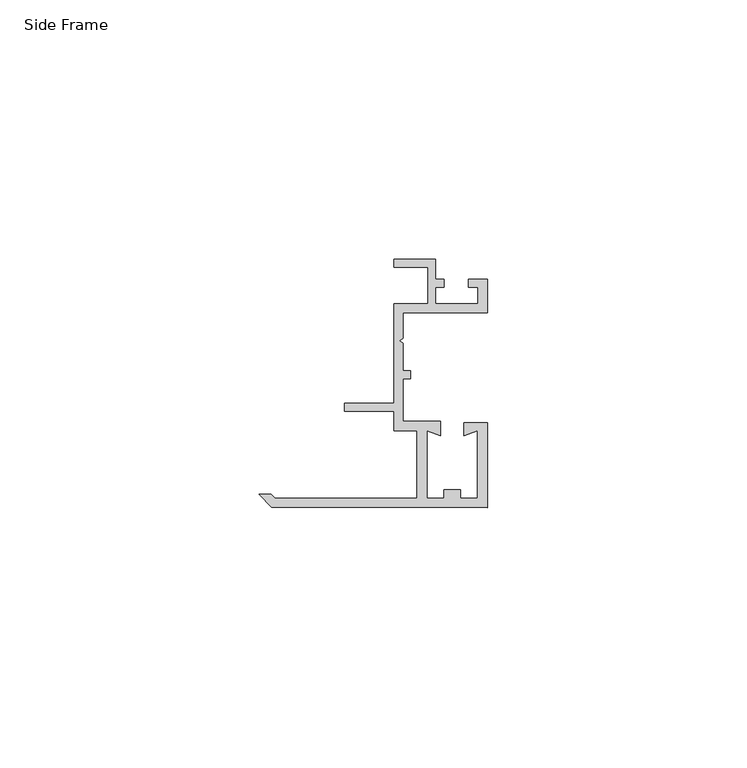
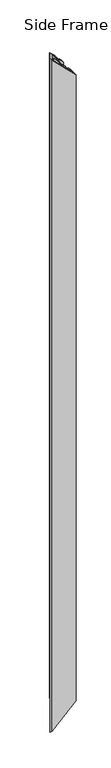
"""IFC4 building model written with IfcOpenShell, lengths in millimetres: proxy geometry, Side Frame."""

import ifcopenshell
import ifcopenshell.guid

model = None  # the IFC model being written
_history = None  # IfcOwnerHistory: only IFC2X3 demands one
_inside = {}  # id of a spatial element -> (the spatial element, [elements in it])
_under = {}  # id of a project, library or spatial element -> (it, [spatial elements below it])
_declared = {}  # id of a project -> (the project, [libraries it declares])
_typed = {}  # id of a type object -> (the type object, [elements of that type])
_made_of = {}  # id of a material, layer set ... -> (it, [elements and type objects made of it])


def new_model(schema):
    """Start an empty IFC model of exactly this schema.

    Asked for "IFC4X3", IfcOpenShell would pick the latest addendum, in which some entities
    have other attributes; the version numbers below select the first issue.
    IFC2X3 requires an IfcOwnerHistory on every rooted entity: one is made here for all.
    """
    global model, _history
    if schema == "IFC4X3":
        model = ifcopenshell.file(schema_version=(4, 3, 0, 0))
    else:
        model = ifcopenshell.file(schema=schema)
    _inside.clear()
    _under.clear()
    _declared.clear()
    _typed.clear()
    _made_of.clear()
    _history = None
    if model.schema == "IFC2X3":
        org = make("IfcOrganization", Name="unknown")
        user = make(
            "IfcPersonAndOrganization",
            ThePerson=make("IfcPerson", FamilyName="unknown"),
            TheOrganization=org,
        )
        app = make(
            "IfcApplication",
            ApplicationDeveloper=org,
            Version="unknown",
            ApplicationFullName="unknown",
            ApplicationIdentifier="unknown",
        )
        _history = make(
            "IfcOwnerHistory",
            OwningUser=user,
            OwningApplication=app,
            ChangeAction="ADDED",
            CreationDate=0,
        )
    return model


def make(cls, **values):
    """One entity of the class cls with the attributes given. An attribute that is None is left unset."""
    return model.create_entity(
        cls, **{name: value for name, value in values.items() if value is not None}
    )


def rooted(cls, **values):
    """An entity with a GlobalId (a new one), such as an element, a storey or a relation."""
    return make(cls, GlobalId=ifcopenshell.guid.new(), OwnerHistory=_history, **values)


def si_unit(unit_type, name, prefix=None):
    """IfcSIUnit, for example si_unit("LENGTHUNIT", "METRE", prefix="MILLI")."""
    return make("IfcSIUnit", UnitType=unit_type, Prefix=prefix, Name=name)


def assignment(units):
    """IfcUnitAssignment: the units of a project."""
    return None if units is None else make("IfcUnitAssignment", Units=units)


def point(xyz):
    """IfcCartesianPoint."""
    return None if xyz is None else make("IfcCartesianPoint", Coordinates=xyz)


def direction(xyz):
    """IfcDirection."""
    return None if xyz is None else make("IfcDirection", DirectionRatios=xyz)


def frame(location, z_axis=None, x_axis=None):
    """IfcAxis2Placement3D, a coordinate frame: its origin and axes. An axis left out is left unset."""
    return make(
        "IfcAxis2Placement3D",
        Location=point(location),
        Axis=direction(z_axis),
        RefDirection=direction(x_axis),
    )


def origin():
    """The frame at (0, 0, 0) with its axes left unset."""
    return frame((0.0, 0.0, 0.0))


def place(relative_to, where):
    """IfcLocalPlacement: puts the frame where relative to a parent placement (None: the world)."""
    return make(
        "IfcLocalPlacement", PlacementRelTo=relative_to, RelativePlacement=where
    )


def context(
    kind, dimensions, precision=None, world=None, true_north=None, identifier=None
):
    """IfcGeometricRepresentationContext, for example the 3D "Model" context."""
    return make(
        "IfcGeometricRepresentationContext",
        ContextIdentifier=identifier,
        ContextType=kind,
        CoordinateSpaceDimension=dimensions,
        Precision=precision,
        WorldCoordinateSystem=world,
        TrueNorth=true_north,
    )


def project(units=None, contexts=None):
    """IfcProject with its units and contexts."""
    return rooted(
        "IfcProject",
        Name="project",
        RepresentationContexts=contexts,
        UnitsInContext=assignment(units),
    )


def spatial(cls, under=None, at=None, **own):
    """A site, building, storey or space (cls), placed at a placement, below another one or the project."""
    s = rooted(cls, ObjectPlacement=at, **own)
    if under is not None:
        _under.setdefault(under.id(), (under, []))[1].append(s)
    return s


def faces_of(points, faces, orient=None, outer=None):
    """IfcFace entities. A face is a list of loops; a loop is a list of indices into points, from 0.

    orient and outer hold one flag for each loop. By default every Orientation is true, the
    first loop of a face is its IfcFaceOuterBound and the others are IfcFaceBound.
    """
    made = []
    for i, loops in enumerate(faces):
        bounds = []
        for j, loop in enumerate(loops):
            is_outer = j == 0 if outer is None else outer[i][j]
            bounds.append(
                make(
                    "IfcFaceOuterBound" if is_outer else "IfcFaceBound",
                    Bound=make("IfcPolyLoop", Polygon=[points[k] for k in loop]),
                    Orientation=True if orient is None else orient[i][j],
                )
            )
        made.append(make("IfcFace", Bounds=bounds))
    return made


def faceted_brep(points, faces, orient=None, outer=None, voids=None):
    """IfcFacetedBrep: a solid bounded by flat faces; with voids (closed shells), ...WithVoids."""
    shared = [point(p) for p in points]
    hull = make("IfcClosedShell", CfsFaces=faces_of(shared, faces, orient, outer))
    if voids is None:
        return make("IfcFacetedBrep", Outer=hull)
    return make(
        "IfcFacetedBrepWithVoids",
        Outer=hull,
        Voids=[
            make(cls, CfsFaces=faces_of(shared, fs, o, b)) for cls, fs, o, b in voids
        ],
    )


def shape(context_of_items, identifier, shape_type, items):
    """IfcShapeRepresentation: the items that make up one representation, for example the "Body"."""
    return make(
        "IfcShapeRepresentation",
        ContextOfItems=context_of_items,
        RepresentationIdentifier=identifier,
        RepresentationType=shape_type,
        Items=items,
    )


def source(mapping_origin, context_of_items, identifier, shape_type, items):
    """IfcRepresentationMap: a shape defined once, which mapped items show again and again."""
    return make(
        "IfcRepresentationMap",
        MappingOrigin=mapping_origin,
        MappedRepresentation=shape(context_of_items, identifier, shape_type, items),
    )


def transform(
    local_origin,
    x_axis=None,
    y_axis=None,
    z_axis=None,
    scale=None,
    scale2=None,
    scale3=None,
    uniform=True,
):
    """IfcCartesianTransformationOperator3D, or its non-uniform kind. x_axis, y_axis, z_axis: its Axis1, 2, 3."""
    if uniform:
        return make(
            "IfcCartesianTransformationOperator3D",
            Axis1=direction(x_axis),
            Axis2=direction(y_axis),
            LocalOrigin=point(local_origin),
            Scale=scale,
            Axis3=direction(z_axis),
        )
    return make(
        "IfcCartesianTransformationOperator3DnonUniform",
        Axis1=direction(x_axis),
        Axis2=direction(y_axis),
        LocalOrigin=point(local_origin),
        Scale=scale,
        Axis3=direction(z_axis),
        Scale2=scale2,
        Scale3=scale3,
    )


def mapped(mapping_source, mapping_target):
    """IfcMappedItem: shows the shape of a source again, moved by a transform."""
    return make(
        "IfcMappedItem", MappingSource=mapping_source, MappingTarget=mapping_target
    )


def made_of(thing, what):
    """Note that an element or type object is made of a material, layer set ...; save() writes the relation."""
    if what is not None:
        _made_of.setdefault(what.id(), (what, []))[1].append(thing)
    return thing


def element(
    cls,
    number,
    at=None,
    inside=None,
    cuts=None,
    type_object=None,
    material=None,
    context=None,
    identifier="Body",
    shape_type=None,
    held_by="IfcProductDefinitionShape",
    body=None,
    shapes=None,
    **own,
):
    """One element of the class cls, such as IfcWall. Its Tag is "e" and its number.

    at: its placement. inside: the storey or other place that contains it. cuts: it is an
    opening in that element (IfcRelVoidsElement). A single representation is given by context,
    identifier, shape_type and body (its items); several are given by shapes. held_by: the class
    of the entity that holds the representations. save() writes the other relations.
    """
    e = rooted(cls, Tag="e%d" % number, ObjectPlacement=at, **own)
    if body is not None:
        shapes = [shape(context, identifier, shape_type, body)]
    if shapes is not None:
        e.Representation = make(held_by, Representations=shapes)
    if inside is not None:
        _inside.setdefault(inside.id(), (inside, []))[1].append(e)
    if cuts is not None:
        rooted(
            "IfcRelVoidsElement", RelatingBuildingElement=cuts, RelatedOpeningElement=e
        )
    if type_object is not None:
        _typed.setdefault(type_object.id(), (type_object, []))[1].append(e)
    return made_of(e, material)


def aggregate(whole, parts):
    """IfcRelAggregates: a whole, such as a stair, and the parts it consists of."""
    return rooted("IfcRelAggregates", RelatingObject=whole, RelatedObjects=parts)


def save(model, path):
    """Write the relations noted so far, then the file.

    IfcRelAggregates (storeys below a building ...), IfcRelContainedInSpatialStructure (elements
    in a storey), IfcRelDefinesByType, IfcRelAssociatesMaterial and IfcRelDeclares: one each for
    every whole, place, type object, material and project.
    """
    for whole, parts in _under.values():
        aggregate(whole, parts)
    for where, things in _inside.values():
        rooted(
            "IfcRelContainedInSpatialStructure",
            RelatedElements=things,
            RelatingStructure=where,
        )
    for kind, things in _typed.values():
        rooted("IfcRelDefinesByType", RelatedObjects=things, RelatingType=kind)
    for what, things in _made_of.values():
        rooted("IfcRelAssociatesMaterial", RelatedObjects=things, RelatingMaterial=what)
    for by, libraries in _declared.values():
        rooted("IfcRelDeclares", RelatingContext=by, RelatedDefinitions=libraries)
    model.write(path)


def side_frame_5a5cdea6(model_context):
    return source(origin(), model_context, "Body", "Brep", [
        faceted_brep([(7.3396974, -27.4419219, 1200.5794341), (7.3396974, -14.4120535, 1200.5794341), (7.3396974, -14.4120535, 30.4014341), (7.3396974, -27.4419219, 30.4014341), (2.9200974, -14.4120535, 1204.9990341), (2.9200974, -14.4120535, 25.9818341), (2.9200974, -10.6937789, 1204.9990341), (2.9200974, -10.6937789, 25.9818341), (-6.6237015, -10.6937789, 1214.542833), (-6.6237015, -10.6937789, 16.4380352), (-6.6237015, -9.1729719, 1214.542833), (2.9200974, -9.1729719, 1204.9990341), (2.9200974, -9.1729719, 25.9818341), (-6.6237015, -9.1729719, 16.4380352), (2.9200974, 10.0865781, 1204.9990341), (2.9200974, 10.0865781, 25.9818341), (9.4478974, 10.0865781, 1198.4712341), (9.4478974, 10.0865781, 32.5096341), (9.4478974, 17.0715781, 1198.4712341), (9.4478974, 17.0715781, 32.5096341), (2.9200974, 17.0715781, 1204.9990341), (2.9200974, 17.0715781, 25.9818341), (2.9200974, 18.5955781, 1204.9990341), (10.9718974, 18.5955781, 1196.9472341), (10.9718974, 18.5955781, 34.0336341), (2.9200974, 18.5955781, 25.9818341), (10.9718974, 14.7855781, 1196.9472341), (10.9718974, 14.7855781, 34.0336341), (10.9718974, 13.2360592, 1196.9472341), (10.9718974, 10.0865781, 1196.9472341), (10.9718974, 10.0865781, 34.0336341), (10.9718974, 13.2360592, 34.0336341), (19.1506974, 10.0865781, 1188.7684341), (19.1506974, 10.0865781, 42.2124341), (19.1506974, 13.2360592, 1188.7684341), (19.1506974, 13.2360592, 42.2124341), (17.2954875, 14.7855781, 1190.6236441), (20.9286974, 14.7855781, 1186.9904341), (20.9286974, 14.7855781, 43.9904341), (17.2954875, 14.7855781, 40.3572241), (20.9286974, 8.3085781, 1186.9904341), (20.9286974, 8.3085781, 43.9904341), (4.6980974, 8.3085781, 1203.2210341), (4.6980974, 8.3085781, 27.7598341), (4.6980974, 3.4079308, 1203.2210341), (4.6980974, 3.4079308, 27.7598341), (4.6980974, 2.4501363, 1203.2210341), (4.6980974, -2.8364353, 1203.2210341), (4.6980974, -2.8364353, 27.7598341), (4.6980974, 2.4501363, 27.7598341), (4.6980974, -4.3781816, 1203.2210341), (4.6980974, -12.6340535, 1203.2210341), (4.6980974, -12.6340535, 27.7598341), (4.6980974, -4.3781816, 27.7598341), (11.8481974, -12.6340535, 1196.0709341), (11.8481974, -12.6340535, 34.9099341), (11.8481974, -15.3436414, 1196.0709341), (11.8481974, -15.3436414, 34.9099341), (9.2667749, -14.4040804, 1198.6523567), (9.2667749, -14.4040804, 32.3285115), (9.2667749, -27.4419219, 1198.6523567), (12.5300499, -27.4419219, 1195.3890816), (12.5300499, -27.4419219, 35.5917866), (9.2667749, -27.4419219, 32.3285115), (15.7392724, -27.4419219, 1192.1798591), (18.9797143, -27.4419219, 1188.9394173), (18.9797143, -27.4419219, 42.0414509), (15.7392724, -27.4419219, 38.8010091), (18.9797143, -14.4120535, 1188.9394173), (16.4201974, -15.3436414, 1191.4989341), (16.4201974, -15.3436414, 39.4819341), (18.9797143, -14.4120535, 42.0414509), (16.4201974, -12.8880535, 1191.4989341), (16.4201974, -12.8880535, 39.4819341), (20.9286974, -12.8880535, 1186.9904341), (20.9286974, -12.8880535, 43.9904341), (20.9286974, -29.2199219, 1186.9904341), (20.9286974, -29.2199219, 43.9904341), (-20.7055128, -29.2199219, 1228.6246443), (-20.7055128, -29.2199219, 2.3562239), (-23.0617367, -26.6481719, 0.0), (-23.0617367, -26.6481719, 1230.9808682), (-20.7627911, -26.6481719, 1228.6819226), (-20.7627911, -26.6481719, 2.2989456), (-19.9690411, -27.4419219, 1227.8881726), (-19.9690411, -27.4419219, 3.0926956), (12.5942544, 14.7855781, 1195.3248771), (12.5942544, 14.7855781, 35.6559911), (12.5942544, 13.2360592, 1195.3248771), (12.5942544, 13.2360592, 35.6559911), (17.2954875, 13.2360592, 1190.6236441), (17.2954875, 13.2360592, 40.3572241), (4.0141613, 2.9290335, 1203.9049703), (4.0141613, 2.9290335, 27.0758979), (6.0924236, -2.8364353, 1201.826708), (6.0924236, -2.8364353, 29.1541602), (6.0924236, -4.3781816, 1201.826708), (6.0924236, -4.3781816, 29.1541602), (12.5300499, -25.799808, 1195.3890816), (12.5300499, -25.799808, 35.5917866), (15.7392724, -25.799808, 1192.1798591), (15.7392724, -25.799808, 38.8010091)], [[[0, 1, 2, 3]], [[1, 4, 5, 2]], [[4, 6, 7, 5]], [[6, 8, 9, 7]], [[10, 11, 12, 13]], [[11, 14, 15, 12]], [[14, 16, 17, 15]], [[16, 18, 19, 17]], [[18, 20, 21, 19]], [[22, 23, 24, 25]], [[23, 26, 27, 24]], [[28, 29, 30, 31]], [[29, 32, 33, 30]], [[32, 34, 35, 33]], [[36, 37, 38, 39]], [[37, 40, 41, 38]], [[40, 42, 43, 41]], [[42, 44, 45, 43]], [[46, 47, 48, 49]], [[50, 51, 52, 53]], [[51, 54, 55, 52]], [[54, 56, 57, 55]], [[56, 58, 59, 57]], [[60, 61, 62, 63]], [[64, 65, 66, 67]], [[68, 69, 70, 71]], [[69, 72, 73, 70]], [[72, 74, 75, 73]], [[74, 76, 77, 75]], [[76, 78, 79, 77]], [[80, 79, 78, 81]], [[81, 82, 83, 80]], [[82, 84, 85, 83]], [[3, 85, 84, 0]], [[13, 9, 8, 10]], [[25, 21, 20, 22]], [[26, 86, 87, 27]], [[86, 88, 89, 87]], [[31, 89, 88, 28]], [[34, 90, 91, 35]], [[39, 91, 90, 36]], [[44, 92, 93, 45]], [[49, 93, 92, 46]], [[47, 94, 95, 48]], [[94, 96, 97, 95]], [[53, 97, 96, 50]], [[63, 59, 58, 60]], [[61, 98, 99, 62]], [[98, 100, 101, 99]], [[67, 101, 100, 64]], [[71, 66, 65, 68]], [[0, 84, 82, 81, 78, 76, 74, 72, 69, 68, 65, 64, 100, 98, 61, 60, 58, 56, 54, 51, 50, 96, 94, 47, 46, 92, 44, 42, 40, 37, 36, 90, 34, 32, 29, 28, 88, 86, 26, 23, 22, 20, 18, 16, 14, 11, 10, 8, 6, 4, 1]], [[2, 5, 7, 9, 13, 12, 15, 17, 19, 21, 25, 24, 27, 87, 89, 31, 30, 33, 35, 91, 39, 38, 41, 43, 45, 93, 49, 48, 95, 97, 53, 52, 55, 57, 59, 63, 62, 99, 101, 67, 66, 71, 70, 73, 75, 77, 79, 80, 83, 85, 3]]]),
    ])


if __name__ == "__main__":
    model = new_model("IFC4")
    model_context = context("Model", 3, world=origin())
    ifc_project = project(units=[si_unit("LENGTHUNIT", "METRE", prefix="MILLI")], contexts=[model_context])
    site = spatial("IfcSite", under=ifc_project)
    building = spatial("IfcBuilding", under=site)
    placement = place(None, origin())
    side_frame_shape = side_frame_5a5cdea6(model_context)
    element("IfcBuildingElementProxy", 1, Name="Side Frame", ObjectType="Side Frame", at=placement, inside=building, context=model_context, shape_type="MappedRepresentation", body=[
        mapped(side_frame_shape, transform((0.0, 0.0, 0.0), x_axis=(1.0, 0.0, 0.0), y_axis=(0.0, 1.0, 0.0), z_axis=(0.0, 0.0, 1.0))),
    ])
    save(model, "model.ifc")
